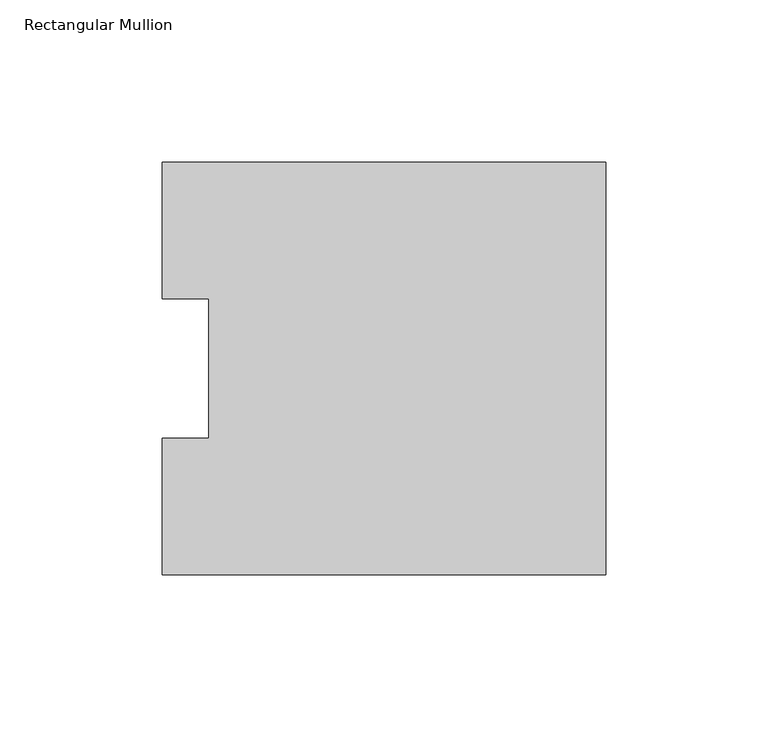
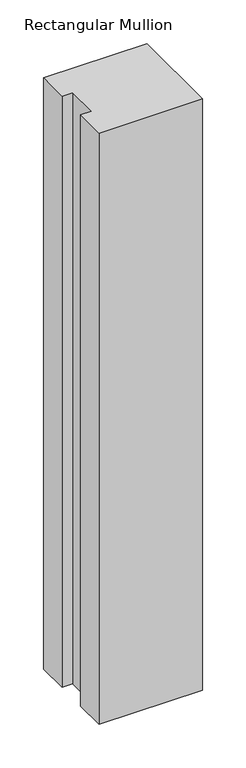
"""IFC4 building model written with IfcOpenShell, lengths in millimetres: member geometry, Rectangular Mullion."""

from ifc_helpers import new_model, si_unit, frame, origin, place, context, project, spatial, polyline, outline, extrude, source, transform, mapped, element, save


def rectangular_mullion_3d43b7bb(model_context):
    return source(origin(), model_context, "Body", "SweptSolid", [
        extrude(outline(polyline([(0.0, 127.00635), (0.0, 0.00635), (-136.525, 0.00635), (-136.525, 42.08145), (-122.2375, 42.08145), (-122.2375, 84.93125), (-136.525, 84.93125), (-136.525, 127.00635), (0.0, 127.00635)])), frame((0.0, 0.0, -825.5227299), z_axis=(0.0, 0.0, 1.0), x_axis=(1.0, 0.0, 0.0)), (0.0, 0.0, 1.0), 825.5227299),
    ])


if __name__ == "__main__":
    model = new_model("IFC4")
    model_context = context("Model", 3, world=origin())
    ifc_project = project(units=[si_unit("LENGTHUNIT", "METRE", prefix="MILLI")], contexts=[model_context])
    site = spatial("IfcSite", under=ifc_project)
    building = spatial("IfcBuilding", under=site)
    placement = place(None, origin())
    rectangular_mullion_shape = rectangular_mullion_3d43b7bb(model_context)
    element("IfcMember", 1, ObjectType="Rectangular Mullion", at=placement, inside=building, context=model_context, shape_type="MappedRepresentation", body=[
        mapped(rectangular_mullion_shape, transform((0.0, 0.0, 0.0), x_axis=(1.0, 0.0, 0.0), y_axis=(0.0, 1.0, 0.0), z_axis=(0.0, 0.0, 1.0))),
    ])
    save(model, "model.ifc")
